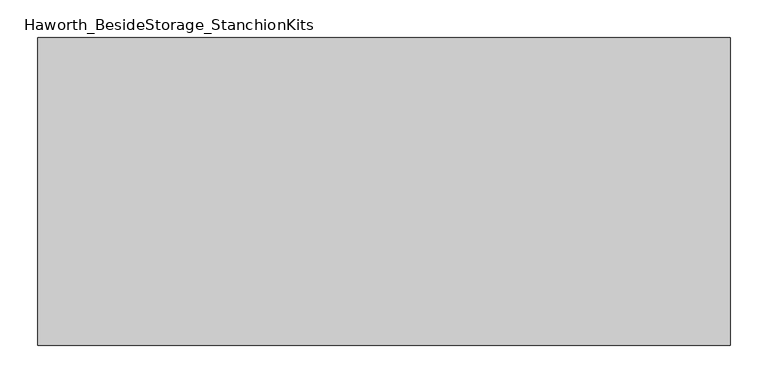
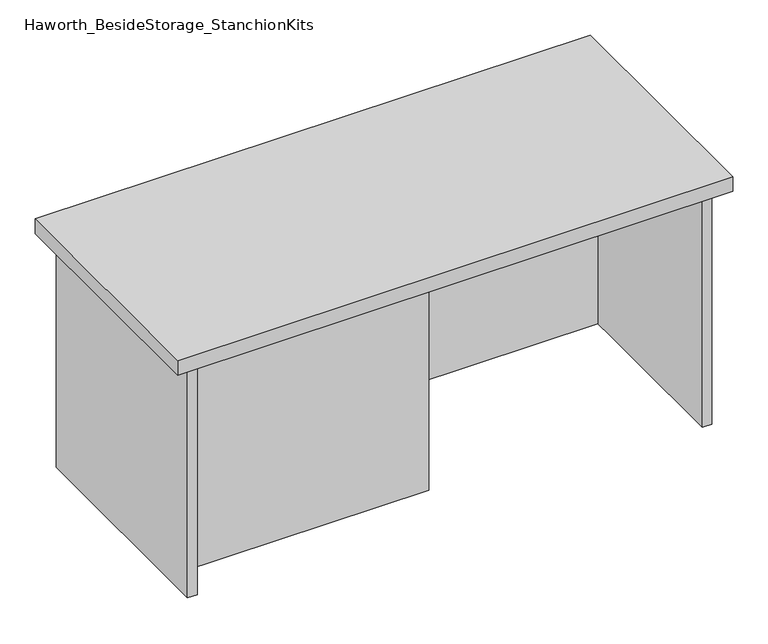
"""IFC4 building model written with IfcOpenShell, lengths in millimetres: furniture geometry, Haworth_BesideStorage_StanchionKits."""

from ifc_helpers import new_model, si_unit, frame, origin, place, context, project, spatial, polyline, outline, extrude, source, transform, mapped, element, save


def haworth_besidestorage_stanchionkits_c6e449a4(model_context):
    return source(origin(), model_context, "Body", "SweptSolid", [
        extrude(outline(polyline([(619.125, 0.0), (619.125, -406.4), (-295.275, -406.4), (-295.275, 0.0), (619.125, 0.0)])), frame((0.0, 0.0, 838.2), z_axis=(0.0, 0.0, 1.0), x_axis=(1.0, 0.0, 0.0)), (0.0, 0.0, 1.0), 25.4),
        extrude(outline(polyline([(161.925, -76.2), (577.85, -76.2), (577.85, -92.075), (161.925, -92.075), (161.925, -76.2)])), frame((0.0, 0.0, 431.8), z_axis=(0.0, 0.0, 1.0), x_axis=(1.0, 0.0, 0.0)), (0.0, 0.0, 1.0), 406.4),
        extrude(outline(polyline([(161.925, -314.325), (161.925, -330.2), (-254.0, -330.2), (-254.0, -314.325), (161.925, -314.325)])), frame((0.0, 0.0, 431.8), z_axis=(0.0, 0.0, 1.0), x_axis=(1.0, 0.0, 0.0)), (0.0, 0.0, 1.0), 406.4),
        extrude(outline(polyline([(593.725, -390.525), (577.85, -390.525), (577.85, -15.875), (593.725, -15.875), (593.725, -390.525)])), frame((0.0, 0.0, 431.8), z_axis=(0.0, 0.0, 1.0), x_axis=(1.0, 0.0, 0.0)), (0.0, 0.0, 1.0), 406.4),
        extrude(outline(polyline([(-254.0, -390.525), (-269.875, -390.525), (-269.875, -15.875), (-254.0, -15.875), (-254.0, -390.525)])), frame((0.0, 0.0, 431.8), z_axis=(0.0, 0.0, 1.0), x_axis=(1.0, 0.0, 0.0)), (0.0, 0.0, 1.0), 406.4),
    ])


if __name__ == "__main__":
    model = new_model("IFC4")
    model_context = context("Model", 3, world=origin())
    ifc_project = project(units=[si_unit("LENGTHUNIT", "METRE", prefix="MILLI")], contexts=[model_context])
    site = spatial("IfcSite", under=ifc_project)
    building = spatial("IfcBuilding", under=site)
    placement = place(None, origin())
    haworth_besidestorage_stanchionkits_shape = haworth_besidestorage_stanchionkits_c6e449a4(model_context)
    element("IfcFurniture", 1, ObjectType="Haworth_BesideStorage_StanchionKits", at=placement, inside=building, context=model_context, shape_type="MappedRepresentation", body=[
        mapped(haworth_besidestorage_stanchionkits_shape, transform((0.0, 0.0, 0.0), x_axis=(1.0, 0.0, 0.0), y_axis=(0.0, 1.0, 0.0), z_axis=(0.0, 0.0, 1.0))),
    ])
    save(model, "model.ifc")
